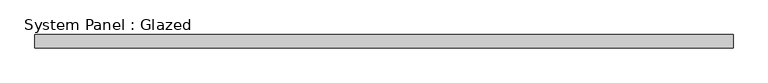
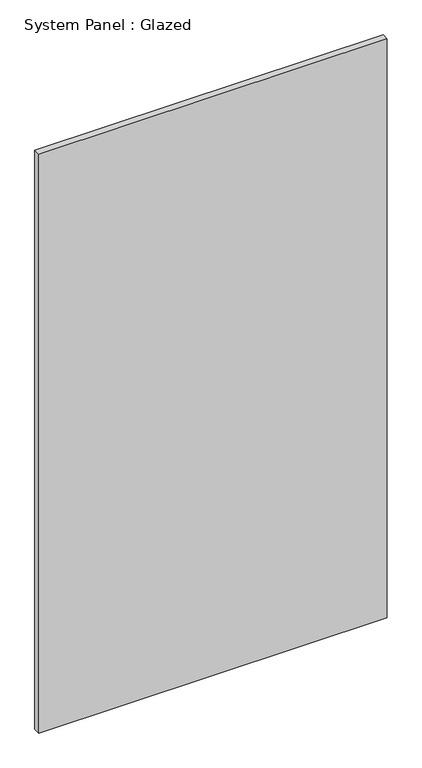
"""IFC4 building model written with IfcOpenShell, lengths in millimetres: plate geometry, System Panel : Glazed."""

from ifc_helpers import new_model, si_unit, origin, origin_with_axes, place, context, project, spatial, polyline, outline, extrude, source, transform, mapped, element, save


def system_panel_glazed_82a24aa5(model_context):
    return source(origin(), model_context, "Body", "SweptSolid", [
        extrude(outline(polyline([(662.5, -49.5), (-662.5, -49.5), (-662.5, -24.5), (662.5, -24.5), (662.5, -49.5)])), origin_with_axes(), (0.0, 0.0, 1.0), 2325.0),
    ])


if __name__ == "__main__":
    model = new_model("IFC4")
    model_context = context("Model", 3, world=origin())
    ifc_project = project(units=[si_unit("LENGTHUNIT", "METRE", prefix="MILLI")], contexts=[model_context])
    site = spatial("IfcSite", under=ifc_project)
    building = spatial("IfcBuilding", under=site)
    placement = place(None, origin())
    system_panel_glazed_shape = system_panel_glazed_82a24aa5(model_context)
    element("IfcPlate", 1, ObjectType="System Panel : Glazed", at=placement, inside=building, context=model_context, shape_type="MappedRepresentation", body=[
        mapped(system_panel_glazed_shape, transform((0.0, 0.0, 0.0), x_axis=(1.0, 0.0, 0.0), y_axis=(0.0, 1.0, 0.0), z_axis=(0.0, 0.0, 1.0))),
    ])
    save(model, "model.ifc")
